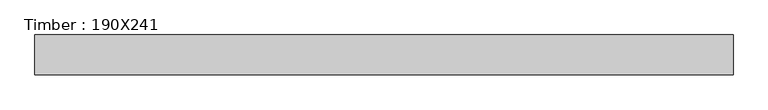
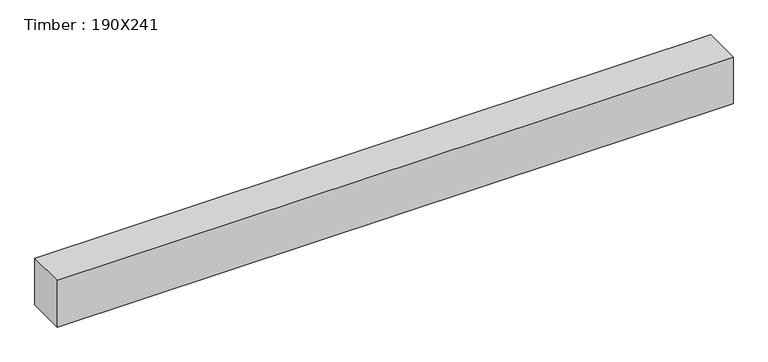
"""IFC4 building model written with IfcOpenShell, lengths in millimetres: beam geometry, Timber : 190X241."""

import ifcopenshell
import ifcopenshell.guid

model = None  # the IFC model being written
_history = None  # IfcOwnerHistory: only IFC2X3 demands one
_inside = {}  # id of a spatial element -> (the spatial element, [elements in it])
_under = {}  # id of a project, library or spatial element -> (it, [spatial elements below it])
_declared = {}  # id of a project -> (the project, [libraries it declares])
_typed = {}  # id of a type object -> (the type object, [elements of that type])
_made_of = {}  # id of a material, layer set ... -> (it, [elements and type objects made of it])


def new_model(schema):
    """Start an empty IFC model of exactly this schema.

    Asked for "IFC4X3", IfcOpenShell would pick the latest addendum, in which some entities
    have other attributes; the version numbers below select the first issue.
    IFC2X3 requires an IfcOwnerHistory on every rooted entity: one is made here for all.
    """
    global model, _history
    if schema == "IFC4X3":
        model = ifcopenshell.file(schema_version=(4, 3, 0, 0))
    else:
        model = ifcopenshell.file(schema=schema)
    _inside.clear()
    _under.clear()
    _declared.clear()
    _typed.clear()
    _made_of.clear()
    _history = None
    if model.schema == "IFC2X3":
        org = make("IfcOrganization", Name="unknown")
        user = make(
            "IfcPersonAndOrganization",
            ThePerson=make("IfcPerson", FamilyName="unknown"),
            TheOrganization=org,
        )
        app = make(
            "IfcApplication",
            ApplicationDeveloper=org,
            Version="unknown",
            ApplicationFullName="unknown",
            ApplicationIdentifier="unknown",
        )
        _history = make(
            "IfcOwnerHistory",
            OwningUser=user,
            OwningApplication=app,
            ChangeAction="ADDED",
            CreationDate=0,
        )
    return model


def make(cls, **values):
    """One entity of the class cls with the attributes given. An attribute that is None is left unset."""
    return model.create_entity(
        cls, **{name: value for name, value in values.items() if value is not None}
    )


def rooted(cls, **values):
    """An entity with a GlobalId (a new one), such as an element, a storey or a relation."""
    return make(cls, GlobalId=ifcopenshell.guid.new(), OwnerHistory=_history, **values)


def si_unit(unit_type, name, prefix=None):
    """IfcSIUnit, for example si_unit("LENGTHUNIT", "METRE", prefix="MILLI")."""
    return make("IfcSIUnit", UnitType=unit_type, Prefix=prefix, Name=name)


def assignment(units):
    """IfcUnitAssignment: the units of a project."""
    return None if units is None else make("IfcUnitAssignment", Units=units)


def point(xyz):
    """IfcCartesianPoint."""
    return None if xyz is None else make("IfcCartesianPoint", Coordinates=xyz)


def direction(xyz):
    """IfcDirection."""
    return None if xyz is None else make("IfcDirection", DirectionRatios=xyz)


def frame(location, z_axis=None, x_axis=None):
    """IfcAxis2Placement3D, a coordinate frame: its origin and axes. An axis left out is left unset."""
    return make(
        "IfcAxis2Placement3D",
        Location=point(location),
        Axis=direction(z_axis),
        RefDirection=direction(x_axis),
    )


def origin():
    """The frame at (0, 0, 0) with its axes left unset."""
    return frame((0.0, 0.0, 0.0))


def place(relative_to, where):
    """IfcLocalPlacement: puts the frame where relative to a parent placement (None: the world)."""
    return make(
        "IfcLocalPlacement", PlacementRelTo=relative_to, RelativePlacement=where
    )


def context(
    kind, dimensions, precision=None, world=None, true_north=None, identifier=None
):
    """IfcGeometricRepresentationContext, for example the 3D "Model" context."""
    return make(
        "IfcGeometricRepresentationContext",
        ContextIdentifier=identifier,
        ContextType=kind,
        CoordinateSpaceDimension=dimensions,
        Precision=precision,
        WorldCoordinateSystem=world,
        TrueNorth=true_north,
    )


def project(units=None, contexts=None):
    """IfcProject with its units and contexts."""
    return rooted(
        "IfcProject",
        Name="project",
        RepresentationContexts=contexts,
        UnitsInContext=assignment(units),
    )


def spatial(cls, under=None, at=None, **own):
    """A site, building, storey or space (cls), placed at a placement, below another one or the project."""
    s = rooted(cls, ObjectPlacement=at, **own)
    if under is not None:
        _under.setdefault(under.id(), (under, []))[1].append(s)
    return s


def polyline(points):
    """IfcPolyline through the points."""
    return make("IfcPolyline", Points=[point(p) for p in points])


def outline(outer, holes=None, kind="AREA"):
    """IfcArbitraryClosedProfileDef: a profile drawn as a closed curve; with holes, ...WithVoids."""
    if holes is None:
        return make("IfcArbitraryClosedProfileDef", ProfileType=kind, OuterCurve=outer)
    return make(
        "IfcArbitraryProfileDefWithVoids",
        ProfileType=kind,
        OuterCurve=outer,
        InnerCurves=holes,
    )


def extrude(swept, where, along, depth):
    """IfcExtrudedAreaSolid: the profile swept, set in the frame where, extruded along a direction by depth."""
    return make(
        "IfcExtrudedAreaSolid",
        SweptArea=swept,
        Position=where,
        ExtrudedDirection=direction(along),
        Depth=depth,
    )


def shape(context_of_items, identifier, shape_type, items):
    """IfcShapeRepresentation: the items that make up one representation, for example the "Body"."""
    return make(
        "IfcShapeRepresentation",
        ContextOfItems=context_of_items,
        RepresentationIdentifier=identifier,
        RepresentationType=shape_type,
        Items=items,
    )


def source(mapping_origin, context_of_items, identifier, shape_type, items):
    """IfcRepresentationMap: a shape defined once, which mapped items show again and again."""
    return make(
        "IfcRepresentationMap",
        MappingOrigin=mapping_origin,
        MappedRepresentation=shape(context_of_items, identifier, shape_type, items),
    )


def transform(
    local_origin,
    x_axis=None,
    y_axis=None,
    z_axis=None,
    scale=None,
    scale2=None,
    scale3=None,
    uniform=True,
):
    """IfcCartesianTransformationOperator3D, or its non-uniform kind. x_axis, y_axis, z_axis: its Axis1, 2, 3."""
    if uniform:
        return make(
            "IfcCartesianTransformationOperator3D",
            Axis1=direction(x_axis),
            Axis2=direction(y_axis),
            LocalOrigin=point(local_origin),
            Scale=scale,
            Axis3=direction(z_axis),
        )
    return make(
        "IfcCartesianTransformationOperator3DnonUniform",
        Axis1=direction(x_axis),
        Axis2=direction(y_axis),
        LocalOrigin=point(local_origin),
        Scale=scale,
        Axis3=direction(z_axis),
        Scale2=scale2,
        Scale3=scale3,
    )


def mapped(mapping_source, mapping_target):
    """IfcMappedItem: shows the shape of a source again, moved by a transform."""
    return make(
        "IfcMappedItem", MappingSource=mapping_source, MappingTarget=mapping_target
    )


def made_of(thing, what):
    """Note that an element or type object is made of a material, layer set ...; save() writes the relation."""
    if what is not None:
        _made_of.setdefault(what.id(), (what, []))[1].append(thing)
    return thing


def element(
    cls,
    number,
    at=None,
    inside=None,
    cuts=None,
    type_object=None,
    material=None,
    context=None,
    identifier="Body",
    shape_type=None,
    held_by="IfcProductDefinitionShape",
    body=None,
    shapes=None,
    **own,
):
    """One element of the class cls, such as IfcWall. Its Tag is "e" and its number.

    at: its placement. inside: the storey or other place that contains it. cuts: it is an
    opening in that element (IfcRelVoidsElement). A single representation is given by context,
    identifier, shape_type and body (its items); several are given by shapes. held_by: the class
    of the entity that holds the representations. save() writes the other relations.
    """
    e = rooted(cls, Tag="e%d" % number, ObjectPlacement=at, **own)
    if body is not None:
        shapes = [shape(context, identifier, shape_type, body)]
    if shapes is not None:
        e.Representation = make(held_by, Representations=shapes)
    if inside is not None:
        _inside.setdefault(inside.id(), (inside, []))[1].append(e)
    if cuts is not None:
        rooted(
            "IfcRelVoidsElement", RelatingBuildingElement=cuts, RelatedOpeningElement=e
        )
    if type_object is not None:
        _typed.setdefault(type_object.id(), (type_object, []))[1].append(e)
    return made_of(e, material)


def aggregate(whole, parts):
    """IfcRelAggregates: a whole, such as a stair, and the parts it consists of."""
    return rooted("IfcRelAggregates", RelatingObject=whole, RelatedObjects=parts)


def save(model, path):
    """Write the relations noted so far, then the file.

    IfcRelAggregates (storeys below a building ...), IfcRelContainedInSpatialStructure (elements
    in a storey), IfcRelDefinesByType, IfcRelAssociatesMaterial and IfcRelDeclares: one each for
    every whole, place, type object, material and project.
    """
    for whole, parts in _under.values():
        aggregate(whole, parts)
    for where, things in _inside.values():
        rooted(
            "IfcRelContainedInSpatialStructure",
            RelatedElements=things,
            RelatingStructure=where,
        )
    for kind, things in _typed.values():
        rooted("IfcRelDefinesByType", RelatedObjects=things, RelatingType=kind)
    for what, things in _made_of.values():
        rooted("IfcRelAssociatesMaterial", RelatedObjects=things, RelatingMaterial=what)
    for by, libraries in _declared.values():
        rooted("IfcRelDeclares", RelatingContext=by, RelatedDefinitions=libraries)
    model.write(path)


def timber_190x241_dbcd3155(model_context):
    return source(origin(), model_context, "Body", "SweptSolid", [
        extrude(outline(polyline([(1758.5, 95.0), (1758.5, -95.0), (-1550.5, -95.0), (-1550.5, 95.0), (1758.5, 95.0)])), frame((0.0, 0.0, -120.5), z_axis=(0.0, 0.0, 1.0), x_axis=(1.0, 0.0, 0.0)), (0.0, 0.0, 1.0), 241.0),
    ])


if __name__ == "__main__":
    model = new_model("IFC4")
    model_context = context("Model", 3, world=origin())
    ifc_project = project(units=[si_unit("LENGTHUNIT", "METRE", prefix="MILLI")], contexts=[model_context])
    site = spatial("IfcSite", under=ifc_project)
    building = spatial("IfcBuilding", under=site)
    placement = place(None, origin())
    timber_190x241_shape = timber_190x241_dbcd3155(model_context)
    element("IfcBeam", 1, ObjectType="Timber : 190X241", at=placement, inside=building, context=model_context, shape_type="MappedRepresentation", body=[
        mapped(timber_190x241_shape, transform((0.0, 0.0, 0.0), x_axis=(1.0, 0.0, 0.0), y_axis=(0.0, 1.0, 0.0), z_axis=(0.0, 0.0, 1.0))),
    ])
    save(model, "model.ifc")
